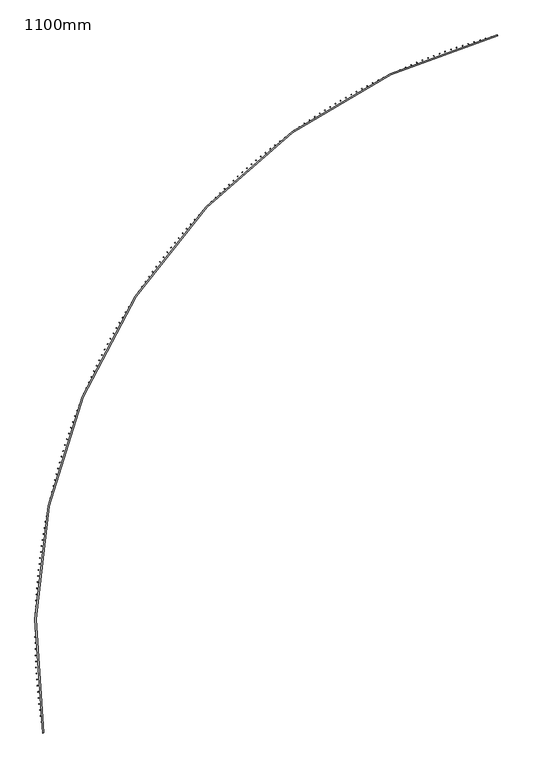
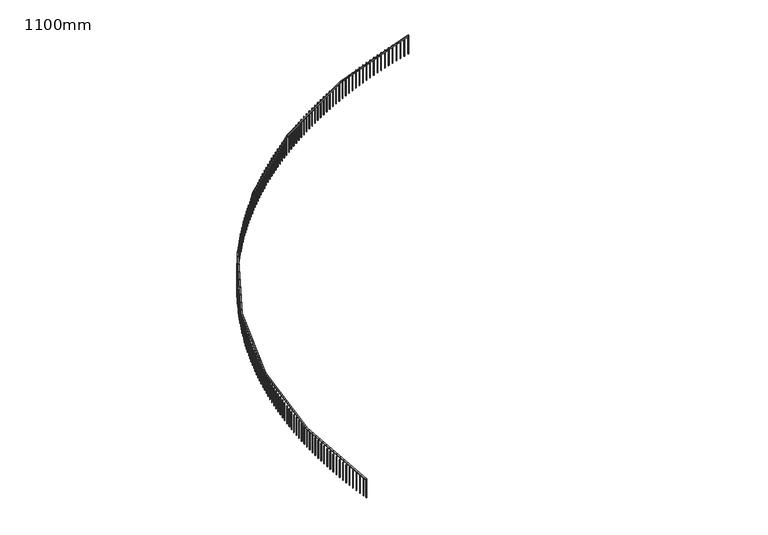
"""IFC4 building model written with IfcOpenShell, lengths in millimetres: railing geometry, 1100mm."""

from ifc_helpers import new_model, si_unit, point, frame, frame_2d, origin, place, context, project, spatial, polyline, circle_curve, trimmed, segment, composite_curve, outline, extrude, source, transform, mapped, element, save


def railing_1100mm_943675f0(model_context):
    return source(origin(), model_context, "Body", "SweptSolid", [
        extrude(outline(composite_curve([segment(trimmed(circle_curve(frame_2d((-8776.2169486, -53857.0322819)), 27971.5412014), [point((-36394.0287338, -58291.3968787))], [point((-15853.428822, -26795.6171438))], False, "CARTESIAN"), True, "CONTINUOUS"), segment(polyline([(-15853.428822, -26795.6171438), (-15840.7780857, -26843.9902651)]), True, "CONTINUOUS"), segment(trimmed(circle_curve(frame_2d((-8776.2169486, -53857.0322819)), 27921.5412014), [point((-15840.7780857, -26843.9902651))], [point((-36344.6610361, -58283.4703141))], True, "CARTESIAN"), True, "CONTINUOUS"), segment(polyline([(-36344.6610361, -58283.4703141), (-36394.0287338, -58291.3968787)]), True, "CONTINUOUS")], self_intersect=False)), frame((0.0, 0.0, 19650.0), z_axis=(0.0, 0.0, 1.0), x_axis=(1.0, 0.0, 0.0)), (0.0, 0.0, 1.0), 50.0),
        extrude(outline(polyline([(-36418.1953524, -58055.742926), (-36393.4805423, -58051.9775357), (-36389.7151521, -58076.6923458), (-36414.4299622, -58080.4577361), (-36418.1953524, -58055.742926)])), frame((0.0, 0.0, 18600.0), z_axis=(0.0, 0.0, 1.0), x_axis=(1.0, 0.0, 0.0)), (0.0, 0.0, 1.0), 1050.0),
        extrude(outline(polyline([(-36458.1726315, -57783.5410007), (-36433.4219663, -57780.0189879), (-36429.8999535, -57804.7696531), (-36454.6506187, -57808.2916659), (-36458.1726315, -57783.5410007)])), frame((0.0, 0.0, 18600.0), z_axis=(0.0, 0.0, 1.0), x_axis=(1.0, 0.0, 0.0)), (0.0, 0.0, 1.0), 1050.0),
        extrude(outline(polyline([(-36495.4694926, -57510.9588753), (-36470.685369, -57507.6805809), (-36467.4070746, -57532.4647046), (-36492.1911983, -57535.7429989), (-36495.4694926, -57510.9588753)])), frame((0.0, 0.0, 18600.0), z_axis=(0.0, 0.0, 1.0), x_axis=(1.0, 0.0, 0.0)), (0.0, 0.0, 1.0), 1050.0),
        extrude(outline(polyline([(-36530.0823244, -57238.0229435), (-36505.267142, -57234.9886851), (-36502.2328836, -57259.8038674), (-36527.0480659, -57262.8381258), (-36530.0823244, -57238.0229435)])), frame((0.0, 0.0, 18600.0), z_axis=(0.0, 0.0, 1.0), x_axis=(1.0, 0.0, 0.0)), (0.0, 0.0, 1.0), 1050.0),
        extrude(outline(polyline([(-36562.0077752, -56964.7596335), (-36537.1639369, -56961.9697048), (-36534.3740082, -56986.8135431), (-36559.2178464, -56989.6034718), (-36562.0077752, -56964.7596335)])), frame((0.0, 0.0, 18600.0), z_axis=(0.0, 0.0, 1.0), x_axis=(1.0, 0.0, 0.0)), (0.0, 0.0, 1.0), 1050.0),
        extrude(outline(polyline([(-36591.2427537, -56691.1954053), (-36566.3726652, -56688.6500764), (-36563.8273364, -56713.5201649), (-36588.6974249, -56716.0654937), (-36591.2427537, -56691.1954053)])), frame((0.0, 0.0, 18600.0), z_axis=(0.0, 0.0, 1.0), x_axis=(1.0, 0.0, 0.0)), (0.0, 0.0, 1.0), 1050.0),
        extrude(outline(polyline([(-36617.7844292, -56417.3567476), (-36592.8904987, -56415.0562651), (-36590.5900161, -56439.9501957), (-36615.4839467, -56442.2506782), (-36617.7844292, -56417.3567476)])), frame((0.0, 0.0, 18600.0), z_axis=(0.0, 0.0, 1.0), x_axis=(1.0, 0.0, 0.0)), (0.0, 0.0, 1.0), 1050.0),
        extrude(outline(polyline([(-36641.6302317, -56143.2701761), (-36616.7148695, -56141.2147626), (-36614.659456, -56166.1301249), (-36639.5748183, -56168.1855383), (-36641.6302317, -56143.2701761)])), frame((0.0, 0.0, 18600.0), z_axis=(0.0, 0.0, 1.0), x_axis=(1.0, 0.0, 0.0)), (0.0, 0.0, 1.0), 1050.0),
        extrude(outline(polyline([(-36662.7778522, -55868.9622303), (-36637.8434709, -55867.152085), (-36636.0333255, -55892.0864663), (-36660.9677069, -55893.8966117), (-36662.7778522, -55868.9622303)])), frame((0.0, 0.0, 18600.0), z_axis=(0.0, 0.0, 1.0), x_axis=(1.0, 0.0, 0.0)), (0.0, 0.0, 1.0), 1050.0),
        extrude(outline(polyline([(-36681.225243, -55594.4594712), (-36656.2742569, -55592.8947693), (-36654.7095549, -55617.8457554), (-36679.660541, -55619.4104573), (-36681.225243, -55594.4594712)])), frame((0.0, 0.0, 18600.0), z_axis=(0.0, 0.0, 1.0), x_axis=(1.0, 0.0, 0.0)), (0.0, 0.0, 1.0), 1050.0),
        extrude(outline(polyline([(-36696.9706178, -55319.7884787), (-36672.005443, -55318.4693716), (-36670.6863359, -55343.4345465), (-36695.6515107, -55344.7536536), (-36696.9706178, -55319.7884787)])), frame((0.0, 0.0, 18600.0), z_axis=(0.0, 0.0, 1.0), x_axis=(1.0, 0.0, 0.0)), (0.0, 0.0, 1.0), 1050.0),
        extrude(outline(polyline([(-36710.0124521, -55044.9758488), (-36685.0355058, -55043.9024644), (-36683.9621213, -55068.8794106), (-36708.9390676, -55069.9527951), (-36710.0124521, -55044.9758488)])), frame((0.0, 0.0, 18600.0), z_axis=(0.0, 0.0, 1.0), x_axis=(1.0, 0.0, 0.0)), (0.0, 0.0, 1.0), 1050.0),
        extrude(outline(polyline([(-36720.349483, -54770.0481915), (-36695.3631838, -54769.2206336), (-36694.5356258, -54794.2069328), (-36719.521925, -54795.0344907), (-36720.349483, -54770.0481915)])), frame((0.0, 0.0, 18600.0), z_axis=(0.0, 0.0, 1.0), x_axis=(1.0, 0.0, 0.0)), (0.0, 0.0, 1.0), 1050.0),
        extrude(outline(polyline([(-36727.9807095, -54495.0321277), (-36702.9874768, -54494.4504765), (-36702.4058255, -54519.4437092), (-36727.3990583, -54520.0253604), (-36727.9807095, -54495.0321277)])), frame((0.0, 0.0, 18600.0), z_axis=(0.0, 0.0, 1.0), x_axis=(1.0, 0.0, 0.0)), (0.0, 0.0, 1.0), 1050.0),
        extrude(outline(polyline([(-36732.9053928, -54219.954287), (-36707.9076467, -54219.6185987), (-36707.5719584, -54244.6163449), (-36732.5697046, -54244.9520331), (-36732.9053928, -54219.954287)])), frame((0.0, 0.0, 18600.0), z_axis=(0.0, 0.0, 1.0), x_axis=(1.0, 0.0, 0.0)), (0.0, 0.0, 1.0), 1050.0),
        extrude(outline(polyline([(-36735.123056, -53944.8413048), (-36710.1232169, -53944.7516121), (-36710.0335242, -53969.7514512), (-36735.0333633, -53969.8411439), (-36735.123056, -53944.8413048)])), frame((0.0, 0.0, 18600.0), z_axis=(0.0, 0.0, 1.0), x_axis=(1.0, 0.0, 0.0)), (0.0, 0.0, 1.0), 1050.0),
        extrude(outline(polyline([(-36734.6334844, -53669.7198202), (-36709.6339731, -53669.8761317), (-36709.7902845, -53694.875643), (-36734.7897959, -53694.7193316), (-36734.6334844, -53669.7198202)])), frame((0.0, 0.0, 18600.0), z_axis=(0.0, 0.0, 1.0), x_axis=(1.0, 0.0, 0.0)), (0.0, 0.0, 1.0), 1050.0),
        extrude(outline(polyline([(-36731.4367254, -53394.6164729), (-36706.4399625, -53395.0187734), (-36706.842263, -53420.0155363), (-36731.8390259, -53419.6132358), (-36731.4367254, -53394.6164729)])), frame((0.0, 0.0, 18600.0), z_axis=(0.0, 0.0, 1.0), x_axis=(1.0, 0.0, 0.0)), (0.0, 0.0, 1.0), 1050.0),
        extrude(outline(polyline([(-36725.5330885, -53119.5579009), (-36700.5414945, -53120.2061515), (-36701.189745, -53145.1977455), (-36726.181339, -53144.5494949), (-36725.5330885, -53119.5579009)])), frame((0.0, 0.0, 18600.0), z_axis=(0.0, 0.0, 1.0), x_axis=(1.0, 0.0, 0.0)), (0.0, 0.0, 1.0), 1050.0),
        extrude(outline(polyline([(-36716.9231453, -52844.5707378), (-36691.9391401, -52845.4648758), (-36692.833278, -52870.448881), (-36717.8172832, -52869.5547431), (-36716.9231453, -52844.5707378)])), frame((0.0, 0.0, 18600.0), z_axis=(0.0, 0.0, 1.0), x_axis=(1.0, 0.0, 0.0)), (0.0, 0.0, 1.0), 1050.0),
        extrude(outline(polyline([(-36705.6077296, -52569.6816105), (-36680.6337323, -52570.8215491), (-36681.773671, -52595.7955464), (-36706.7476683, -52594.6556078), (-36705.6077296, -52569.6816105)])), frame((0.0, 0.0, 18600.0), z_axis=(0.0, 0.0, 1.0), x_axis=(1.0, 0.0, 0.0)), (0.0, 0.0, 1.0), 1050.0),
        extrude(outline(polyline([(-36691.587937, -52294.9171361), (-36666.6263659, -52296.3027651), (-36668.0119949, -52321.2643362), (-36692.973566, -52319.8787072), (-36691.587937, -52294.9171361)])), frame((0.0, 0.0, 18600.0), z_axis=(0.0, 0.0, 1.0), x_axis=(1.0, 0.0, 0.0)), (0.0, 0.0, 1.0), 1050.0),
        extrude(outline(polyline([(-36674.865125, -52020.3039199), (-36649.9183971, -52021.9351051), (-36651.5495823, -52046.881833), (-36676.4963103, -52045.2506478), (-36674.865125, -52020.3039199)])), frame((0.0, 0.0, 18600.0), z_axis=(0.0, 0.0, 1.0), x_axis=(1.0, 0.0, 0.0)), (0.0, 0.0, 1.0), 1050.0),
        extrude(outline(polyline([(-36655.440913, -51745.8685523), (-36630.5114438, -51747.7451358), (-36632.3880273, -51772.674605), (-36657.3174965, -51770.7980215), (-36655.440913, -51745.8685523)])), frame((0.0, 0.0, 18600.0), z_axis=(0.0, 0.0, 1.0), x_axis=(1.0, 0.0, 0.0)), (0.0, 0.0, 1.0), 1050.0),
        extrude(outline(polyline([(-36633.3171816, -51471.6376068), (-36608.4073851, -51473.7594068), (-36610.5291851, -51498.6692034), (-36635.4389817, -51496.5474034), (-36633.3171816, -51471.6376068)])), frame((0.0, 0.0, 18600.0), z_axis=(0.0, 0.0, 1.0), x_axis=(1.0, 0.0, 0.0)), (0.0, 0.0, 1.0), 1050.0),
        extrude(outline(polyline([(-36608.4960732, -51197.6376368), (-36583.6083613, -51200.004448), (-36585.9751724, -51224.8921599), (-36610.8628843, -51222.5253488), (-36608.4960732, -51197.6376368)])), frame((0.0, 0.0, 18600.0), z_axis=(0.0, 0.0, 1.0), x_axis=(1.0, 0.0, 0.0)), (0.0, 0.0, 1.0), 1050.0),
        extrude(outline(polyline([(-36580.9799912, -50923.8951736), (-36556.1167737, -50926.5067666), (-36558.7283668, -50951.3699841), (-36583.5915842, -50948.758391), (-36580.9799912, -50923.8951736)])), frame((0.0, 0.0, 18600.0), z_axis=(0.0, 0.0, 1.0), x_axis=(1.0, 0.0, 0.0)), (0.0, 0.0, 1.0), 1050.0),
        extrude(outline(polyline([(-36550.7715998, -50650.4367232), (-36525.9352843, -50653.2928453), (-36528.7914064, -50678.1291608), (-36553.6277219, -50675.2730387), (-36550.7715998, -50650.4367232)])), frame((0.0, 0.0, 18600.0), z_axis=(0.0, 0.0, 1.0), x_axis=(1.0, 0.0, 0.0)), (0.0, 0.0, 1.0), 1050.0),
        extrude(outline(polyline([(-36517.8738242, -50377.2887645), (-36493.0668155, -50380.3891391), (-36496.1671901, -50405.1961478), (-36520.9741988, -50402.0957732), (-36517.8738242, -50377.2887645)])), frame((0.0, 0.0, 18600.0), z_axis=(0.0, 0.0, 1.0), x_axis=(1.0, 0.0, 0.0)), (0.0, 0.0, 1.0), 1050.0),
        extrude(outline(polyline([(-36482.2898498, -50104.4777462), (-36457.51455, -50107.822073), (-36460.8588769, -50132.5973728), (-36485.6341766, -50129.2530459), (-36482.2898498, -50104.4777462)])), frame((0.0, 0.0, 18600.0), z_axis=(0.0, 0.0, 1.0), x_axis=(1.0, 0.0, 0.0)), (0.0, 0.0, 1.0), 1050.0),
        extrude(outline(polyline([(-36444.0231222, -49832.0300842), (-36419.2819303, -49835.6180395), (-36422.8698856, -49860.3592314), (-36447.6110775, -49856.7712761), (-36444.0231222, -49832.0300842)])), frame((0.0, 0.0, 18600.0), z_axis=(0.0, 0.0, 1.0), x_axis=(1.0, 0.0, 0.0)), (0.0, 0.0, 1.0), 1050.0),
        extrude(outline(polyline([(-36403.0773466, -49559.9721594), (-36378.3726583, -49563.8033957), (-36382.2038946, -49588.5080841), (-36406.908583, -49584.6768478), (-36403.0773466, -49559.9721594)])), frame((0.0, 0.0, 18600.0), z_axis=(0.0, 0.0, 1.0), x_axis=(1.0, 0.0, 0.0)), (0.0, 0.0, 1.0), 1050.0),
        extrude(outline(polyline([(-36359.456488, -49288.330315), (-36334.7906952, -49292.4044614), (-36338.8648416, -49317.0702541), (-36363.5306344, -49312.9961077), (-36359.456488, -49288.330315)])), frame((0.0, 0.0, 18600.0), z_axis=(0.0, 0.0, 1.0), x_axis=(1.0, 0.0, 0.0)), (0.0, 0.0, 1.0), 1050.0),
        extrude(outline(polyline([(-36313.1647699, -49017.1308537), (-36288.5402612, -49021.4475156), (-36292.8569232, -49046.0720243), (-36317.4814319, -49041.7553624), (-36313.1647699, -49017.1308537)])), frame((0.0, 0.0, 18600.0), z_axis=(0.0, 0.0, 1.0), x_axis=(1.0, 0.0, 0.0)), (0.0, 0.0, 1.0), 1050.0),
        extrude(outline(polyline([(-36264.2066749, -48746.4000355), (-36239.6258345, -48750.958795), (-36244.1845941, -48775.5396354), (-36268.7654344, -48770.9808758), (-36264.2066749, -48746.4000355)])), frame((0.0, 0.0, 18600.0), z_axis=(0.0, 0.0, 1.0), x_axis=(1.0, 0.0, 0.0)), (0.0, 0.0, 1.0), 1050.0),
        extrude(outline(polyline([(-36212.5869434, -48476.1640751), (-36188.0521516, -48480.9644908), (-36192.8525673, -48505.4992826), (-36217.3873591, -48500.6988669), (-36212.5869434, -48476.1640751)])), frame((0.0, 0.0, 18600.0), z_axis=(0.0, 0.0, 1.0), x_axis=(1.0, 0.0, 0.0)), (0.0, 0.0, 1.0), 1050.0),
        extrude(outline(polyline([(-36158.3105737, -48206.4491392), (-36133.8242061, -48211.4907462), (-36138.8658132, -48235.9771138), (-36163.3521808, -48230.9355068), (-36158.3105737, -48206.4491392)])), frame((0.0, 0.0, 18600.0), z_axis=(0.0, 0.0, 1.0), x_axis=(1.0, 0.0, 0.0)), (0.0, 0.0, 1.0), 1050.0),
        extrude(outline(polyline([(-36101.3828215, -47937.2813439), (-36076.9472491, -47942.5636541), (-36082.2295593, -47966.9992265), (-36106.6651317, -47961.7169163), (-36101.3828215, -47937.2813439)])), frame((0.0, 0.0, 18600.0), z_axis=(0.0, 0.0, 1.0), x_axis=(1.0, 0.0, 0.0)), (0.0, 0.0, 1.0), 1050.0),
        extrude(outline(polyline([(-36041.8091989, -47668.6867527), (-36017.4267878, -47674.2092546), (-36022.9492897, -47698.5916657), (-36047.3317008, -47693.0691638), (-36041.8091989, -47668.6867527)])), frame((0.0, 0.0, 18600.0), z_axis=(0.0, 0.0, 1.0), x_axis=(1.0, 0.0, 0.0)), (0.0, 0.0, 1.0), 1050.0),
        extrude(outline(polyline([(-35979.5954744, -47400.6913731), (-35955.2685855, -47406.453532), (-35961.0307443, -47430.7804209), (-35985.3576333, -47425.0182621), (-35979.5954744, -47400.6913731)])), frame((0.0, 0.0, 18600.0), z_axis=(0.0, 0.0, 1.0), x_axis=(1.0, 0.0, 0.0)), (0.0, 0.0, 1.0), 1050.0),
        extrude(outline(polyline([(-35914.7476721, -47133.3211551), (-35890.4786609, -47139.3224129), (-35896.4799188, -47163.5914241), (-35920.74893, -47157.5901662), (-35914.7476721, -47133.3211551)])), frame((0.0, 0.0, 18600.0), z_axis=(0.0, 0.0, 1.0), x_axis=(1.0, 0.0, 0.0)), (0.0, 0.0, 1.0), 1050.0),
        extrude(outline(polyline([(-35847.2720712, -46866.6019877), (-35823.0632877, -46872.8417634), (-35829.3030635, -46897.0505469), (-35853.511847, -46890.8107712), (-35847.2720712, -46866.6019877)])), frame((0.0, 0.0, 18600.0), z_axis=(0.0, 0.0, 1.0), x_axis=(1.0, 0.0, 0.0)), (0.0, 0.0, 1.0), 1050.0),
        extrude(outline(polyline([(-35777.1752052, -46600.5596971), (-35753.0289935, -46607.0373866), (-35759.506683, -46631.1835983), (-35783.6528947, -46624.7059088), (-35777.1752052, -46600.5596971)])), frame((0.0, 0.0, 18600.0), z_axis=(0.0, 0.0, 1.0), x_axis=(1.0, 0.0, 0.0)), (0.0, 0.0, 1.0), 1050.0),
        extrude(outline(polyline([(-35704.4638616, -46335.2200441), (-35680.3825598, -46341.9350201), (-35687.0975358, -46366.0163219), (-35711.1788376, -46359.3013459), (-35704.4638616, -46335.2200441)])), frame((0.0, 0.0, 18600.0), z_axis=(0.0, 0.0, 1.0), x_axis=(1.0, 0.0, 0.0)), (0.0, 0.0, 1.0), 1050.0),
        extrude(outline(polyline([(-35629.1450809, -46070.6087211), (-35605.1310208, -46077.5603334), (-35612.082633, -46101.5743936), (-35636.0966932, -46094.6227813), (-35629.1450809, -46070.6087211)])), frame((0.0, 0.0, 18600.0), z_axis=(0.0, 0.0, 1.0), x_axis=(1.0, 0.0, 0.0)), (0.0, 0.0, 1.0), 1050.0),
        extrude(outline(polyline([(-35551.2261563, -45806.7513503), (-35527.281663, -45813.9389257), (-35534.4692384, -45837.883419), (-35558.4137317, -45830.6958436), (-35551.2261563, -45806.7513503)])), frame((0.0, 0.0, 18600.0), z_axis=(0.0, 0.0, 1.0), x_axis=(1.0, 0.0, 0.0)), (0.0, 0.0, 1.0), 1050.0),
        extrude(outline(polyline([(-35470.7146324, -45543.6734806), (-35446.8420245, -45551.0963232), (-35454.2648671, -45574.9689311), (-35478.137475, -45567.5460885), (-35470.7146324, -45543.6734806)])), frame((0.0, 0.0, 18600.0), z_axis=(0.0, 0.0, 1.0), x_axis=(1.0, 0.0, 0.0)), (0.0, 0.0, 1.0), 1050.0),
        extrude(outline(polyline([(-35387.6183052, -45281.4005858), (-35363.8198943, -45289.0579768), (-35371.4772853, -45312.8563878), (-35395.2756963, -45305.1989967), (-35387.6183052, -45281.4005858)])), frame((0.0, 0.0, 18600.0), z_axis=(0.0, 0.0, 1.0), x_axis=(1.0, 0.0, 0.0)), (0.0, 0.0, 1.0), 1050.0),
        extrude(outline(polyline([(-35301.9452208, -45019.9580614), (-35278.2233112, -45027.8492594), (-35286.1145093, -45051.571169), (-35309.8364188, -45043.6799709), (-35301.9452208, -45019.9580614)])), frame((0.0, 0.0, 18600.0), z_axis=(0.0, 0.0, 1.0), x_axis=(1.0, 0.0, 0.0)), (0.0, 0.0, 1.0), 1050.0),
        extrude(outline(polyline([(-35213.7036748, -44759.3712226), (-35190.0605636, -44767.4954635), (-35198.1848045, -44791.1385748), (-35221.8279158, -44783.0143338), (-35213.7036748, -44759.3712226)])), frame((0.0, 0.0, 18600.0), z_axis=(0.0, 0.0, 1.0), x_axis=(1.0, 0.0, 0.0)), (0.0, 0.0, 1.0), 1050.0),
        extrude(outline(polyline([(-35122.9022117, -44499.6653019), (-35099.3401881, -44508.0217991), (-35107.6966853, -44531.5838226), (-35131.2587088, -44523.2273254), (-35122.9022117, -44499.6653019)])), frame((0.0, 0.0, 18600.0), z_axis=(0.0, 0.0, 1.0), x_axis=(1.0, 0.0, 0.0)), (0.0, 0.0, 1.0), 1050.0),
        extrude(outline(polyline([(-35029.5496235, -44240.8654463), (-35006.0709691, -44249.4533906), (-35014.6589133, -44272.932045), (-35038.1375678, -44264.3441007), (-35029.5496235, -44240.8654463)])), frame((0.0, 0.0, 18600.0), z_axis=(0.0, 0.0, 1.0), x_axis=(1.0, 0.0, 0.0)), (0.0, 0.0, 1.0), 1050.0),
        extrude(outline(polyline([(-34933.6549496, -43982.9967152), (-34910.2619378, -43991.815275), (-34919.0804975, -44015.2082868), (-34942.4735094, -44006.389727), (-34933.6549496, -43982.9967152)])), frame((0.0, 0.0, 18600.0), z_axis=(0.0, 0.0, 1.0), x_axis=(1.0, 0.0, 0.0)), (0.0, 0.0, 1.0), 1050.0),
        extrude(outline(polyline([(-34835.2274753, -43726.0840777), (-34811.9223712, -43735.1323991), (-34820.9706926, -43758.4375033), (-34844.2757968, -43749.3891819), (-34835.2274753, -43726.0840777)])), frame((0.0, 0.0, 18600.0), z_axis=(0.0, 0.0, 1.0), x_axis=(1.0, 0.0, 0.0)), (0.0, 0.0, 1.0), 1050.0),
        extrude(outline(polyline([(-34734.2767314, -43470.1524105), (-34711.0617915, -43479.4296174), (-34720.3389984, -43502.6445573), (-34743.5539383, -43493.3673504), (-34734.2767314, -43470.1524105)])), frame((0.0, 0.0, 18600.0), z_axis=(0.0, 0.0, 1.0), x_axis=(1.0, 0.0, 0.0)), (0.0, 0.0, 1.0), 1050.0),
        extrude(outline(polyline([(-34630.8124927, -43215.2264953), (-34607.689965, -43224.7316893), (-34617.1951591, -43247.854217), (-34640.3176868, -43238.3490229), (-34630.8124927, -43215.2264953)])), frame((0.0, 0.0, 18600.0), z_axis=(0.0, 0.0, 1.0), x_axis=(1.0, 0.0, 0.0)), (0.0, 0.0, 1.0), 1050.0),
        extrude(outline(polyline([(-34524.8447776, -42961.3310161), (-34501.8169011, -42971.063277), (-34511.5491619, -42994.0911535), (-34534.5770385, -42984.3588927), (-34524.8447776, -42961.3310161)])), frame((0.0, 0.0, 18600.0), z_axis=(0.0, 0.0, 1.0), x_axis=(1.0, 0.0, 0.0)), (0.0, 0.0, 1.0), 1050.0),
        extrude(outline(polyline([(-34416.3838469, -42708.4905576), (-34393.4528512, -42718.4489429), (-34403.4112365, -42741.3799386), (-34426.3422322, -42731.4215532), (-34416.3838469, -42708.4905576)])), frame((0.0, 0.0, 18600.0), z_axis=(0.0, 0.0, 1.0), x_axis=(1.0, 0.0, 0.0)), (0.0, 0.0, 1.0), 1050.0),
        extrude(outline(polyline([(-34305.4402026, -42456.729602), (-34282.6083083, -42466.9131475), (-34292.7918538, -42489.7450418), (-34315.6237481, -42479.5614963), (-34305.4402026, -42456.729602)])), frame((0.0, 0.0, 18600.0), z_axis=(0.0, 0.0, 1.0), x_axis=(1.0, 0.0, 0.0)), (0.0, 0.0, 1.0), 1050.0),
        extrude(outline(polyline([(-34192.0245875, -42206.072527), (-34169.2940052, -42216.4802466), (-34179.7017248, -42239.2108289), (-34202.4323071, -42228.8031093), (-34192.0245875, -42206.072527)])), frame((0.0, 0.0, 18600.0), z_axis=(0.0, 0.0, 1.0), x_axis=(1.0, 0.0, 0.0)), (0.0, 0.0, 1.0), 1050.0),
        extrude(outline(polyline([(-34076.1479834, -41956.5436036), (-34053.5209142, -41967.1744896), (-34064.1518001, -41989.8015589), (-34086.7788694, -41979.1706729), (-34076.1479834, -41956.5436036)])), frame((0.0, 0.0, 18600.0), z_axis=(0.0, 0.0, 1.0), x_axis=(1.0, 0.0, 0.0)), (0.0, 0.0, 1.0), 1050.0),
        extrude(outline(polyline([(-33957.8216106, -41708.1669935), (-33935.3002453, -41719.0200164), (-33946.1532683, -41741.5413817), (-33968.6746335, -41730.6883588), (-33957.8216106, -41708.1669935)])), frame((0.0, 0.0, 18600.0), z_axis=(0.0, 0.0, 1.0), x_axis=(1.0, 0.0, 0.0)), (0.0, 0.0, 1.0), 1050.0),
        extrude(outline(polyline([(-33837.0569265, -41460.9667467), (-33814.6434459, -41472.0408557), (-33825.7175549, -41494.4543362), (-33848.1310355, -41483.3802272), (-33837.0569265, -41460.9667467)])), frame((0.0, 0.0, 18600.0), z_axis=(0.0, 0.0, 1.0), x_axis=(1.0, 0.0, 0.0)), (0.0, 0.0, 1.0), 1050.0),
        extrude(outline(polyline([(-33713.8656245, -41214.9667993), (-33691.562199, -41226.2609221), (-33702.8563218, -41248.5643476), (-33725.1597473, -41237.2702249), (-33713.8656245, -41214.9667993)])), frame((0.0, 0.0, 18600.0), z_axis=(0.0, 0.0, 1.0), x_axis=(1.0, 0.0, 0.0)), (0.0, 0.0, 1.0), 1050.0),
        extrude(outline(polyline([(-33588.2596333, -40970.1909714), (-33566.0684224, -40981.7040144), (-33577.5814654, -41003.8952253), (-33599.7726763, -40992.3821823), (-33588.2596333, -40970.1909714)])), frame((0.0, 0.0, 18600.0), z_axis=(0.0, 0.0, 1.0), x_axis=(1.0, 0.0, 0.0)), (0.0, 0.0, 1.0), 1050.0),
        extrude(outline(polyline([(-33460.2511151, -40726.6629643), (-33438.1742676, -40738.3938127), (-33449.9051159, -40760.4706602), (-33471.9819634, -40748.7398118), (-33460.2511151, -40726.6629643)])), frame((0.0, 0.0, 18600.0), z_axis=(0.0, 0.0, 1.0), x_axis=(1.0, 0.0, 0.0)), (0.0, 0.0, 1.0), 1050.0),
        extrude(outline(polyline([(-33329.8524649, -40484.4063586), (-33307.8921184, -40496.3538765), (-33319.8396362, -40518.314223), (-33341.7999827, -40506.3667051), (-33329.8524649, -40484.4063586)])), frame((0.0, 0.0, 18600.0), z_axis=(0.0, 0.0, 1.0), x_axis=(1.0, 0.0, 0.0)), (0.0, 0.0, 1.0), 1050.0),
        extrude(outline(polyline([(-33197.076309, -40243.4446119), (-33175.23459, -40255.6076424), (-33187.3976205, -40277.4493614), (-33209.2393395, -40265.2863309), (-33197.076309, -40243.4446119)])), frame((0.0, 0.0, 18600.0), z_axis=(0.0, 0.0, 1.0), x_axis=(1.0, 0.0, 0.0)), (0.0, 0.0, 1.0), 1050.0),
        extrude(outline(polyline([(-33061.9355041, -40003.8010561), (-33040.2145274, -40016.1784215), (-33052.5918928, -40037.8993982), (-33074.3128694, -40025.5220328), (-33061.9355041, -40003.8010561)])), frame((0.0, 0.0, 18600.0), z_axis=(0.0, 0.0, 1.0), x_axis=(1.0, 0.0, 0.0)), (0.0, 0.0, 1.0), 1050.0),
        extrude(outline(polyline([(-32924.4431356, -39765.4988959), (-32902.8450046, -39778.0893976), (-32915.4355063, -39799.6875287), (-32937.0336374, -39787.0970269), (-32924.4431356, -39765.4988959)])), frame((0.0, 0.0, 18600.0), z_axis=(0.0, 0.0, 1.0), x_axis=(1.0, 0.0, 0.0)), (0.0, 0.0, 1.0), 1050.0),
        extrude(outline(polyline([(-32784.6125169, -39528.5612056), (-32763.1393228, -39541.3636247), (-32775.9417419, -39562.8368188), (-32797.414936, -39550.0343998), (-32784.6125169, -39528.5612056)])), frame((0.0, 0.0, 18600.0), z_axis=(0.0, 0.0, 1.0), x_axis=(1.0, 0.0, 0.0)), (0.0, 0.0, 1.0), 1050.0),
        extrude(outline(polyline([(-32642.4571877, -39293.0109279), (-32621.1110097, -39306.0240246), (-32634.1241064, -39327.3702026), (-32655.4702844, -39314.3571059), (-32642.4571877, -39293.0109279)])), frame((0.0, 0.0, 18600.0), z_axis=(0.0, 0.0, 1.0), x_axis=(1.0, 0.0, 0.0)), (0.0, 0.0, 1.0), 1050.0),
        extrude(outline(polyline([(-32497.9909126, -39058.8708708), (-32476.7738177, -39072.0933851), (-32489.996332, -39093.31048), (-32511.2134269, -39080.0879657), (-32497.9909126, -39058.8708708)])), frame((0.0, 0.0, 18600.0), z_axis=(0.0, 0.0, 1.0), x_axis=(1.0, 0.0, 0.0)), (0.0, 0.0, 1.0), 1050.0),
        extrude(outline(polyline([(-32351.2276803, -38826.1637059), (-32330.1417229, -38839.5943574), (-32343.5723745, -38860.6803148), (-32364.6583318, -38847.2496633), (-32351.2276803, -38826.1637059)])), frame((0.0, 0.0, 18600.0), z_axis=(0.0, 0.0, 1.0), x_axis=(1.0, 0.0, 0.0)), (0.0, 0.0, 1.0), 1050.0),
        extrude(outline(polyline([(-32202.1817017, -38594.911966), (-32181.2289235, -38608.5494543), (-32194.8664118, -38629.5022324), (-32215.81919, -38615.8647441), (-32202.1817017, -38594.911966)])), frame((0.0, 0.0, 18600.0), z_axis=(0.0, 0.0, 1.0), x_axis=(1.0, 0.0, 0.0)), (0.0, 0.0, 1.0), 1050.0),
        extrude(outline(polyline([(-32050.8674087, -38365.1380429), (-32030.0498386, -38378.9810475), (-32043.8928432, -38399.7986176), (-32064.7104133, -38385.955613), (-32050.8674087, -38365.1380429)])), frame((0.0, 0.0, 18600.0), z_axis=(0.0, 0.0, 1.0), x_axis=(1.0, 0.0, 0.0)), (0.0, 0.0, 1.0), 1050.0),
        extrude(outline(polyline([(-31897.2994529, -38136.8641856), (-31876.6191067, -38150.9113661), (-31890.6662872, -38171.5917123), (-31911.3466334, -38157.5445318), (-31897.2994529, -38136.8641856)])), frame((0.0, 0.0, 18600.0), z_axis=(0.0, 0.0, 1.0), x_axis=(1.0, 0.0, 0.0)), (0.0, 0.0, 1.0), 1050.0),
        extrude(outline(polyline([(-31741.4927044, -37910.1124975), (-31720.9515844, -37924.3624937), (-31735.2015806, -37944.9036136), (-31755.7427005, -37930.6536174), (-31741.4927044, -37910.1124975)])), frame((0.0, 0.0, 18600.0), z_axis=(0.0, 0.0, 1.0), x_axis=(1.0, 0.0, 0.0)), (0.0, 0.0, 1.0), 1050.0),
        extrude(outline(polyline([(-31583.4622495, -37684.9049347), (-31563.0623448, -37699.3563668), (-31577.5137769, -37719.7562715), (-31597.9136816, -37705.3048394), (-31583.4622495, -37684.9049347)])), frame((0.0, 0.0, 18600.0), z_axis=(0.0, 0.0, 1.0), x_axis=(1.0, 0.0, 0.0)), (0.0, 0.0, 1.0), 1050.0),
        extrude(outline(polyline([(-31423.2233904, -37461.263304), (-31402.9666763, -37475.9147727), (-31417.6181449, -37496.1714868), (-31437.874859, -37481.5200181), (-31423.2233904, -37461.263304)])), frame((0.0, 0.0, 18600.0), z_axis=(0.0, 0.0, 1.0), x_axis=(1.0, 0.0, 0.0)), (0.0, 0.0, 1.0), 1050.0),
        extrude(outline(polyline([(-31260.7916427, -37239.2092603), (-31240.6800806, -37254.0593469), (-31255.5301671, -37274.170909), (-31275.6417292, -37259.3208224), (-31260.7916427, -37239.2092603)])), frame((0.0, 0.0, 18600.0), z_axis=(0.0, 0.0, 1.0), x_axis=(1.0, 0.0, 0.0)), (0.0, 0.0, 1.0), 1050.0),
        extrude(outline(polyline([(-31096.1827346, -37018.764305), (-31076.2182719, -37033.8115715), (-31091.2655383, -37053.7760342), (-31111.2300011, -37038.7287677), (-31096.1827346, -37018.764305)])), frame((0.0, 0.0, 18600.0), z_axis=(0.0, 0.0, 1.0), x_axis=(1.0, 0.0, 0.0)), (0.0, 0.0, 1.0), 1050.0),
        extrude(outline(polyline([(-30929.412605, -36799.9497834), (-30909.5971748, -36815.1927729), (-30924.8401642, -36835.008203), (-30944.6555944, -36819.7652136), (-30929.412605, -36799.9497834)])), frame((0.0, 0.0, 18600.0), z_axis=(0.0, 0.0, 1.0), x_axis=(1.0, 0.0, 0.0)), (0.0, 0.0, 1.0), 1050.0),
        extrude(outline(polyline([(-30760.4974021, -36582.7868833), (-30740.8329231, -36598.2241197), (-30756.2701596, -36617.8885986), (-30775.9346385, -36602.4513622), (-30760.4974021, -36582.7868833)])), frame((0.0, 0.0, 18600.0), z_axis=(0.0, 0.0, 1.0), x_axis=(1.0, 0.0, 0.0)), (0.0, 0.0, 1.0), 1050.0),
        extrude(outline(polyline([(-30589.4534818, -36367.2966322), (-30569.9418582, -36382.9266208), (-30585.5718468, -36402.4382444), (-30605.0834704, -36386.8082558), (-30589.4534818, -36367.2966322)])), frame((0.0, 0.0, 18600.0), z_axis=(0.0, 0.0, 1.0), x_axis=(1.0, 0.0, 0.0)), (0.0, 0.0, 1.0), 1050.0),
        extrude(outline(polyline([(-30416.2974061, -36153.499896), (-30396.9405272, -36169.3211234), (-30412.7617546, -36188.6780023), (-30432.1186335, -36172.8567749), (-30416.2974061, -36153.499896)])), frame((0.0, 0.0, 18600.0), z_axis=(0.0, 0.0, 1.0), x_axis=(1.0, 0.0, 0.0)), (0.0, 0.0, 1.0), 1050.0),
        extrude(outline(polyline([(-30241.0459417, -35941.4173762), (-30221.8456816, -35957.4283105), (-30237.8566158, -35976.6285705), (-30257.0568759, -35960.6176363), (-30241.0459417, -35941.4173762)])), frame((0.0, 0.0, 18600.0), z_axis=(0.0, 0.0, 1.0), x_axis=(1.0, 0.0, 0.0)), (0.0, 0.0, 1.0), 1050.0),
        extrude(outline(polyline([(-30063.7160578, -35731.0696088), (-30044.6742758, -35747.2686995), (-30060.8733665, -35766.3104815), (-30079.9151485, -35750.1113908), (-30063.7160578, -35731.0696088)])), frame((0.0, 0.0, 18600.0), z_axis=(0.0, 0.0, 1.0), x_axis=(1.0, 0.0, 0.0)), (0.0, 0.0, 1.0), 1050.0),
        extrude(outline(polyline([(-29884.3249252, -35522.4769615), (-29865.4434651, -35538.8626402), (-29881.8291438, -35557.7441002), (-29900.7106039, -35541.3584216), (-29884.3249252, -35522.4769615)])), frame((0.0, 0.0, 18600.0), z_axis=(0.0, 0.0, 1.0), x_axis=(1.0, 0.0, 0.0)), (0.0, 0.0, 1.0), 1050.0),
        extrude(outline(polyline([(-29702.8899142, -35315.6596321), (-29684.1706043, -35332.2303121), (-29700.7412843, -35350.949622), (-29719.4605942, -35334.378942), (-29702.8899142, -35315.6596321)])), frame((0.0, 0.0, 18600.0), z_axis=(0.0, 0.0, 1.0), x_axis=(1.0, 0.0, 0.0)), (0.0, 0.0, 1.0), 1050.0),
        extrude(outline(polyline([(-29519.428593, -35110.6376465), (-29500.8732457, -35127.3917233), (-29517.6273226, -35145.9470705), (-29536.1826698, -35129.1929937), (-29519.428593, -35110.6376465)])), frame((0.0, 0.0, 18600.0), z_axis=(0.0, 0.0, 1.0), x_axis=(1.0, 0.0, 0.0)), (0.0, 0.0, 1.0), 1050.0),
        extrude(outline(polyline([(-29333.9587258, -34907.4308568), (-29315.5691381, -34924.3667082), (-29332.5049894, -34942.756296), (-29350.8945772, -34925.8204446), (-29333.9587258, -34907.4308568)])), frame((0.0, 0.0, 18600.0), z_axis=(0.0, 0.0, 1.0), x_axis=(1.0, 0.0, 0.0)), (0.0, 0.0, 1.0), 1050.0),
        extrude(outline(polyline([(-29146.4982718, -34706.0589394), (-29128.276224, -34723.1749254), (-29145.39221, -34741.3969731), (-29163.6142578, -34724.2809871), (-29146.4982718, -34706.0589394)])), frame((0.0, 0.0, 18600.0), z_axis=(0.0, 0.0, 1.0), x_axis=(1.0, 0.0, 0.0)), (0.0, 0.0, 1.0), 1050.0),
        extrude(outline(polyline([(-28957.0653823, -34506.5413929), (-28939.0126391, -34523.8358562), (-28956.3071024, -34541.8885995), (-28974.3598456, -34524.5941361), (-28957.0653823, -34506.5413929)])), frame((0.0, 0.0, 18600.0), z_axis=(0.0, 0.0, 1.0), x_axis=(1.0, 0.0, 0.0)), (0.0, 0.0, 1.0), 1050.0),
        extrude(outline(polyline([(-28765.6784001, -34308.8975364), (-28747.7967094, -34326.3688025), (-28765.2679755, -34344.2504932), (-28783.1496662, -34326.7792271), (-28765.6784001, -34308.8975364)])), frame((0.0, 0.0, 18600.0), z_axis=(0.0, 0.0, 1.0), x_axis=(1.0, 0.0, 0.0)), (0.0, 0.0, 1.0), 1050.0),
        extrude(outline(polyline([(-28572.355857, -34113.1465076), (-28554.6469503, -34130.7928846), (-28572.2933273, -34148.5017913), (-28590.002234, -34130.8554143), (-28572.355857, -34113.1465076)])), frame((0.0, 0.0, 18600.0), z_axis=(0.0, 0.0, 1.0), x_axis=(1.0, 0.0, 0.0)), (0.0, 0.0, 1.0), 1050.0),
        extrude(outline(polyline([(-28377.1164722, -33919.3072608), (-28359.5820642, -33937.1270402), (-28377.4018435, -33954.6614482), (-28394.9362515, -33936.8416688), (-28377.1164722, -33919.3072608)])), frame((0.0, 0.0, 18600.0), z_axis=(0.0, 0.0, 1.0), x_axis=(1.0, 0.0, 0.0)), (0.0, 0.0, 1.0), 1050.0),
        extrude(outline(polyline([(-28179.9791505, -33727.3985654), (-28162.6209391, -33745.3900216), (-28180.6123953, -33762.748233), (-28197.9706067, -33744.7567768), (-28179.9791505, -33727.3985654)])), frame((0.0, 0.0, 18600.0), z_axis=(0.0, 0.0, 1.0), x_axis=(1.0, 0.0, 0.0)), (0.0, 0.0, 1.0), 1050.0),
        extrude(outline(polyline([(-27980.9629806, -33537.4390036), (-27963.7826466, -33555.6003946), (-27981.9440375, -33572.7807286), (-27999.1243716, -33554.6193377), (-27980.9629806, -33537.4390036)])), frame((0.0, 0.0, 18600.0), z_axis=(0.0, 0.0, 1.0), x_axis=(1.0, 0.0, 0.0)), (0.0, 0.0, 1.0), 1050.0),
        extrude(outline(polyline([(-27780.0872331, -33349.4469692), (-27763.0864399, -33367.7765363), (-27781.4160071, -33384.7773295), (-27798.4168002, -33366.4477623), (-27780.0872331, -33349.4469692)])), frame((0.0, 0.0, 18600.0), z_axis=(0.0, 0.0, 1.0), x_axis=(1.0, 0.0, 0.0)), (0.0, 0.0, 1.0), 1050.0),
        extrude(outline(polyline([(-27577.3713585, -33163.4406651), (-27560.5517524, -33181.9366336), (-27579.0477209, -33198.7562397), (-27595.867327, -33180.2602712), (-27577.3713585, -33163.4406651)])), frame((0.0, 0.0, 18600.0), z_axis=(0.0, 0.0, 1.0), x_axis=(1.0, 0.0, 0.0)), (0.0, 0.0, 1.0), 1050.0),
        extrude(outline(polyline([(-27372.8349857, -32979.4381022), (-27356.1981953, -32998.0986811), (-27374.8587742, -33014.7354715), (-27391.4955646, -32996.0748926), (-27372.8349857, -32979.4381022)])), frame((0.0, 0.0, 18600.0), z_axis=(0.0, 0.0, 1.0), x_axis=(1.0, 0.0, 0.0)), (0.0, 0.0, 1.0), 1050.0),
        extrude(outline(polyline([(-27166.4979196, -32797.4570973), (-27150.0455558, -32816.2804797), (-27168.8689383, -32832.7328435), (-27185.321302, -32813.9094611), (-27166.4979196, -32797.4570973)])), frame((0.0, 0.0, 18600.0), z_axis=(0.0, 0.0, 1.0), x_axis=(1.0, 0.0, 0.0)), (0.0, 0.0, 1.0), 1050.0),
        extrude(outline(polyline([(-26958.3801398, -32617.5152714), (-26942.1137957, -32636.4996347), (-26961.098159, -32652.7659788), (-26977.3645031, -32633.7816155), (-26958.3801398, -32617.5152714)])), frame((0.0, 0.0, 18600.0), z_axis=(0.0, 0.0, 1.0), x_axis=(1.0, 0.0, 0.0)), (0.0, 0.0, 1.0), 1050.0),
        extrude(outline(polyline([(-26748.5017981, -32439.6300482), (-26732.4230487, -32458.7735542), (-26751.5665547, -32474.8523035), (-26767.645304, -32455.7087975), (-26748.5017981, -32439.6300482)])), frame((0.0, 0.0, 18600.0), z_axis=(0.0, 0.0, 1.0), x_axis=(1.0, 0.0, 0.0)), (0.0, 0.0, 1.0), 1050.0),
        extrude(outline(polyline([(-26536.8832167, -32263.8186521), (-26520.993619, -32283.119447), (-26540.294414, -32299.0090447), (-26556.1840116, -32279.7082498), (-26536.8832167, -32263.8186521)])), frame((0.0, 0.0, 18600.0), z_axis=(0.0, 0.0, 1.0), x_axis=(1.0, 0.0, 0.0)), (0.0, 0.0, 1.0), 1050.0),
        extrude(outline(polyline([(-26323.5448866, -32090.0981067), (-26307.8459791, -32109.5543218), (-26327.3021942, -32125.2532293), (-26343.0011017, -32105.7970142), (-26323.5448866, -32090.0981067)])), frame((0.0, 0.0, 18600.0), z_axis=(0.0, 0.0, 1.0), x_axis=(1.0, 0.0, 0.0)), (0.0, 0.0, 1.0), 1050.0),
        extrude(outline(polyline([(-26108.5074651, -31918.4852333), (-26093.0007679, -31938.0949846), (-26112.6105192, -31953.6016817), (-26128.1172163, -31933.9919305), (-26108.5074651, -31918.4852333)])), frame((0.0, 0.0, 18600.0), z_axis=(0.0, 0.0, 1.0), x_axis=(1.0, 0.0, 0.0)), (0.0, 0.0, 1.0), 1050.0),
        extrude(outline(polyline([(-25891.791774, -31748.996649), (-25876.4787887, -31768.7580376), (-25896.2401773, -31784.071023), (-25911.5531626, -31764.3096344), (-25891.791774, -31748.996649)])), frame((0.0, 0.0, 18600.0), z_axis=(0.0, 0.0, 1.0), x_axis=(1.0, 0.0, 0.0)), (0.0, 0.0, 1.0), 1050.0),
        extrude(outline(polyline([(-25673.4187978, -31581.6487652), (-25658.301007, -31601.5598777), (-25678.2121196, -31616.6776685), (-25693.3299103, -31596.766556), (-25673.4187978, -31581.6487652)])), frame((0.0, 0.0, 18600.0), z_axis=(0.0, 0.0, 1.0), x_axis=(1.0, 0.0, 0.0)), (0.0, 0.0, 1.0), 1050.0),
        extrude(outline(polyline([(-25453.4096813, -31416.457786), (-25438.4885489, -31436.5166944), (-25458.5474574, -31451.4378268), (-25473.4685897, -31431.3789183), (-25453.4096813, -31416.457786)])), frame((0.0, 0.0, 18600.0), z_axis=(0.0, 0.0, 1.0), x_axis=(1.0, 0.0, 0.0)), (0.0, 0.0, 1.0), 1050.0),
        extrude(outline(polyline([(-25231.7857277, -31253.4397067), (-25217.0626985, -31273.6444688), (-25237.2674606, -31288.367498), (-25251.9904898, -31268.1627359), (-25231.7857277, -31253.4397067)])), frame((0.0, 0.0, 18600.0), z_axis=(0.0, 0.0, 1.0), x_axis=(1.0, 0.0, 0.0)), (0.0, 0.0, 1.0), 1050.0),
        extrude(outline(polyline([(-25008.5683967, -31092.6103122), (-24994.0448964, -31112.9589716), (-25014.3935558, -31127.4824719), (-25028.9170561, -31107.1338126), (-25008.5683967, -31092.6103122)])), frame((0.0, 0.0, 18600.0), z_axis=(0.0, 0.0, 1.0), x_axis=(1.0, 0.0, 0.0)), (0.0, 0.0, 1.0), 1050.0),
        extrude(outline(polyline([(-24783.7793023, -30933.9851755), (-24769.4567371, -30954.4757618), (-24789.9473233, -30968.798327), (-24804.2698886, -30948.3077407), (-24783.7793023, -30933.9851755)])), frame((0.0, 0.0, 18600.0), z_axis=(0.0, 0.0, 1.0), x_axis=(1.0, 0.0, 0.0)), (0.0, 0.0, 1.0), 1050.0),
        extrude(outline(polyline([(-24557.4402105, -30777.5796561), (-24543.3199673, -30798.2101852), (-24563.9504963, -30812.3304284), (-24578.0707396, -30791.6998994), (-24557.4402105, -30777.5796561)])), frame((0.0, 0.0, 18600.0), z_axis=(0.0, 0.0, 1.0), x_axis=(1.0, 0.0, 0.0)), (0.0, 0.0, 1.0), 1050.0),
        extrude(outline(polyline([(-24329.5730376, -30623.4088986), (-24315.6564835, -30644.1773728), (-24336.4249578, -30658.0939269), (-24350.3415119, -30637.3254526), (-24329.5730376, -30623.4088986)])), frame((0.0, 0.0, 18600.0), z_axis=(0.0, 0.0, 1.0), x_axis=(1.0, 0.0, 0.0)), (0.0, 0.0, 1.0), 1050.0),
        extrude(outline(polyline([(-24100.1998477, -30471.4878312), (-24086.4883304, -30492.3922396), (-24107.3927388, -30506.1037569), (-24121.1042562, -30485.1993485), (-24100.1998477, -30471.4878312)])), frame((0.0, 0.0, 18600.0), z_axis=(0.0, 0.0, 1.0), x_axis=(1.0, 0.0, 0.0)), (0.0, 0.0, 1.0), 1050.0),
        extrude(outline(polyline([(-23869.3428508, -30321.8311642), (-23855.8376979, -30342.8694827), (-23876.8760164, -30356.3746356), (-23890.3811693, -30335.3363171), (-23869.3428508, -30321.8311642)])), frame((0.0, 0.0, 18600.0), z_axis=(0.0, 0.0, 1.0), x_axis=(1.0, 0.0, 0.0)), (0.0, 0.0, 1.0), 1050.0),
        extrude(outline(polyline([(-23637.0244006, -30174.4533889), (-23623.7269198, -30195.6235803), (-23644.8971112, -30208.9210611), (-23658.194592, -30187.7508697), (-23637.0244006, -30174.4533889)])), frame((0.0, 0.0, 18600.0), z_axis=(0.0, 0.0, 1.0), x_axis=(1.0, 0.0, 0.0)), (0.0, 0.0, 1.0), 1050.0),
        extrude(outline(polyline([(-23403.2669923, -30029.3687756), (-23390.1784711, -30050.66879), (-23411.4784856, -30063.7573111), (-23424.5670067, -30042.4572967), (-23403.2669923, -30029.3687756)])), frame((0.0, 0.0, 18600.0), z_axis=(0.0, 0.0, 1.0), x_axis=(1.0, 0.0, 0.0)), (0.0, 0.0, 1.0), 1050.0),
        extrude(outline(polyline([(-23168.0932603, -29886.5913728), (-23155.2149662, -29908.0191478), (-23176.6427412, -29920.8974418), (-23189.5210353, -29899.4696668), (-23168.0932603, -29886.5913728)])), frame((0.0, 0.0, 18600.0), z_axis=(0.0, 0.0, 1.0), x_axis=(1.0, 0.0, 0.0)), (0.0, 0.0, 1.0), 1050.0),
        extrude(outline(polyline([(-22931.5259763, -29746.1350054), (-22918.8591563, -29767.6884661), (-22940.412617, -29780.3552862), (-22953.0794371, -29758.8018254), (-22931.5259763, -29746.1350054)])), frame((0.0, 0.0, 18600.0), z_axis=(0.0, 0.0, 1.0), x_axis=(1.0, 0.0, 0.0)), (0.0, 0.0, 1.0), 1050.0),
        extrude(outline(polyline([(-22693.588047, -29608.0132737), (-22681.1339275, -29629.6903332), (-22702.810987, -29642.1444527), (-22715.2651065, -29620.4673932), (-22693.588047, -29608.0132737)])), frame((0.0, 0.0, 18600.0), z_axis=(0.0, 0.0, 1.0), x_axis=(1.0, 0.0, 0.0)), (0.0, 0.0, 1.0), 1050.0),
        extrude(outline(polyline([(-22454.3025116, -29472.239552), (-22442.0622986, -29494.0381112), (-22463.8608578, -29506.2783243), (-22476.1010708, -29484.479765), (-22454.3025116, -29472.239552)])), frame((0.0, 0.0, 18600.0), z_axis=(0.0, 0.0, 1.0), x_axis=(1.0, 0.0, 0.0)), (0.0, 0.0, 1.0), 1050.0),
        extrude(outline(polyline([(-22213.6925399, -29338.826987), (-22201.6674185, -29360.7449353), (-22223.5853668, -29372.7700566), (-22235.6104882, -29350.8521084), (-22213.6925399, -29338.826987)])), frame((0.0, 0.0, 18600.0), z_axis=(0.0, 0.0, 1.0), x_axis=(1.0, 0.0, 0.0)), (0.0, 0.0, 1.0), 1050.0),
        extrude(outline(polyline([(-21971.78143, -29207.788497), (-21959.9725647, -29229.823712), (-21982.0077797, -29241.6325773), (-21993.816645, -29219.5973623), (-21971.78143, -29207.788497)])), frame((0.0, 0.0, 18600.0), z_axis=(0.0, 0.0, 1.0), x_axis=(1.0, 0.0, 0.0)), (0.0, 0.0, 1.0), 1050.0),
        extrude(outline(polyline([(-21728.5926058, -29079.1367703), (-21717.00114, -29101.2871184), (-21739.1514881, -29112.8785842), (-21750.7429539, -29090.7282361), (-21728.5926058, -29079.1367703)])), frame((0.0, 0.0, 18600.0), z_axis=(0.0, 0.0, 1.0), x_axis=(1.0, 0.0, 0.0)), (0.0, 0.0, 1.0), 1050.0),
        extrude(outline(polyline([(-21484.1496152, -28952.8842642), (-21472.7766713, -28975.1476005), (-21495.0400077, -28986.5205445), (-21506.4129516, -28964.2572081), (-21484.1496152, -28952.8842642)])), frame((0.0, 0.0, 18600.0), z_axis=(0.0, 0.0, 1.0), x_axis=(1.0, 0.0, 0.0)), (0.0, 0.0, 1.0), 1050.0),
        extrude(outline(polyline([(-21238.4761273, -28829.0432034), (-21227.3228065, -28851.4173724), (-21249.6969754, -28862.5706932), (-21260.8502963, -28840.1965243), (-21238.4761273, -28829.0432034)])), frame((0.0, 0.0, 18600.0), z_axis=(0.0, 0.0, 1.0), x_axis=(1.0, 0.0, 0.0)), (0.0, 0.0, 1.0), 1050.0),
        extrude(outline(polyline([(-20991.5959305, -28707.6255796), (-20980.6633128, -28730.1084146), (-21003.1461478, -28741.0410323), (-21014.0787655, -28718.5581973), (-20991.5959305, -28707.6255796)])), frame((0.0, 0.0, 18600.0), z_axis=(0.0, 0.0, 1.0), x_axis=(1.0, 0.0, 0.0)), (0.0, 0.0, 1.0), 1050.0),
        extrude(outline(polyline([(-20743.5329299, -28588.6431494), (-20732.8220738, -28611.2324734), (-20755.4113979, -28621.9433295), (-20766.122254, -28599.3540054), (-20743.5329299, -28588.6431494)])), frame((0.0, 0.0, 18600.0), z_axis=(0.0, 0.0, 1.0), x_axis=(1.0, 0.0, 0.0)), (0.0, 0.0, 1.0), 1050.0),
        extrude(outline(polyline([(-20494.3111453, -28472.1074337), (-20483.823088, -28494.8010596), (-20506.5167139, -28505.2891168), (-20517.0047711, -28482.595491), (-20494.3111453, -28472.1074337)])), frame((0.0, 0.0, 18600.0), z_axis=(0.0, 0.0, 1.0), x_axis=(1.0, 0.0, 0.0)), (0.0, 0.0, 1.0), 1050.0),
        extrude(outline(polyline([(-20243.9547085, -28358.0297167), (-20233.6904655, -28380.8254469), (-20256.4861958, -28391.0896898), (-20266.7504387, -28368.2939596), (-20243.9547085, -28358.0297167)])), frame((0.0, 0.0, 18600.0), z_axis=(0.0, 0.0, 1.0), x_axis=(1.0, 0.0, 0.0)), (0.0, 0.0, 1.0), 1050.0),
        extrude(outline(polyline([(-19992.4878613, -28246.4210443), (-19982.4484266, -28269.3166716), (-20005.3440539, -28279.3561063), (-20015.3834886, -28256.460479), (-19992.4878613, -28246.4210443)])), frame((0.0, 0.0, 18600.0), z_axis=(0.0, 0.0, 1.0), x_axis=(1.0, 0.0, 0.0)), (0.0, 0.0, 1.0), 1050.0),
        extrude(outline(polyline([(-19739.9349531, -28137.2922236), (-19730.1212987, -28160.285531), (-19753.1146062, -28170.0991854), (-19762.9282605, -28147.1058779), (-19739.9349531, -28137.2922236)])), frame((0.0, 0.0, 18600.0), z_axis=(0.0, 0.0, 1.0), x_axis=(1.0, 0.0, 0.0)), (0.0, 0.0, 1.0), 1050.0),
        extrude(outline(polyline([(-19486.3204382, -28030.6538213), (-19476.7335145, -28053.7425825), (-19499.8222756, -28063.3295062), (-19509.4091994, -28040.2407451), (-19486.3204382, -28030.6538213)])), frame((0.0, 0.0, 18600.0), z_axis=(0.0, 0.0, 1.0), x_axis=(1.0, 0.0, 0.0)), (0.0, 0.0, 1.0), 1050.0),
        extrude(outline(polyline([(-19231.6688741, -27926.5161632), (-19222.3096092, -27949.6981424), (-19245.4915884, -27959.0574073), (-19254.8508533, -27935.8754281), (-19231.6688741, -27926.5161632)])), frame((0.0, 0.0, 18600.0), z_axis=(0.0, 0.0, 1.0), x_axis=(1.0, 0.0, 0.0)), (0.0, 0.0, 1.0), 1050.0),
        extrude(outline(polyline([(-18976.0049182, -27824.8893328), (-18966.8742185, -27848.1622853), (-18990.1471711, -27857.2929851), (-18999.2778708, -27834.0200325), (-18976.0049182, -27824.8893328)])), frame((0.0, 0.0, 18600.0), z_axis=(0.0, 0.0, 1.0), x_axis=(1.0, 0.0, 0.0)), (0.0, 0.0, 1.0), 1050.0),
        extrude(outline(polyline([(-18719.3533264, -27725.7831705), (-18710.4520759, -27749.1448429), (-18733.8137484, -27758.0460935), (-18742.7149989, -27734.684421), (-18719.3533264, -27725.7831705)])), frame((0.0, 0.0, 18600.0), z_axis=(0.0, 0.0, 1.0), x_axis=(1.0, 0.0, 0.0)), (0.0, 0.0, 1.0), 1050.0),
        extrude(outline(polyline([(-18461.73895, -27629.2072728), (-18453.0680106, -27652.655403), (-18476.5161408, -27661.3263424), (-18485.1870802, -27637.8782122), (-18461.73895, -27629.2072728)])), frame((0.0, 0.0, 18600.0), z_axis=(0.0, 0.0, 1.0), x_axis=(1.0, 0.0, 0.0)), (0.0, 0.0, 1.0), 1050.0),
        extrude(outline(polyline([(-18203.1867335, -27535.1709909), (-18194.7469449, -27558.7033084), (-18218.2792624, -27567.143097), (-18226.719051, -27543.6107795), (-18203.1867335, -27535.1709909)])), frame((0.0, 0.0, 18600.0), z_axis=(0.0, 0.0, 1.0), x_axis=(1.0, 0.0, 0.0)), (0.0, 0.0, 1.0), 1050.0),
        extrude(outline(polyline([(-17943.7217123, -27443.6834303), (-17935.5138916, -27467.2976565), (-17959.1281178, -27475.5054772), (-17967.3359385, -27451.891251), (-17943.7217123, -27443.6834303)])), frame((0.0, 0.0, 18600.0), z_axis=(0.0, 0.0, 1.0), x_axis=(1.0, 0.0, 0.0)), (0.0, 0.0, 1.0), 1050.0),
        extrude(outline(polyline([(-17683.3690102, -27354.7534497), (-17675.3939522, -27378.447298), (-17699.0878005, -27386.422356), (-17707.0628585, -27362.7285076), (-17683.3690102, -27354.7534497)])), frame((0.0, 0.0, 18600.0), z_axis=(0.0, 0.0, 1.0), x_axis=(1.0, 0.0, 0.0)), (0.0, 0.0, 1.0), 1050.0),
        extrude(outline(polyline([(-17422.1538368, -27268.38966), (-17414.4123137, -27292.1608363), (-17438.18349, -27299.9023593), (-17445.925013, -27276.131183), (-17422.1538368, -27268.38966)])), frame((0.0, 0.0, 18600.0), z_axis=(0.0, 0.0, 1.0), x_axis=(1.0, 0.0, 0.0)), (0.0, 0.0, 1.0), 1050.0),
        extrude(outline(polyline([(-17160.1014854, -27184.6004238), (-17152.5942469, -27208.4466262), (-17176.4404493, -27215.9538648), (-17183.9476878, -27192.1076623), (-17160.1014854, -27184.6004238)])), frame((0.0, 0.0, 18600.0), z_axis=(0.0, 0.0, 1.0), x_axis=(1.0, 0.0, 0.0)), (0.0, 0.0, 1.0), 1050.0),
        extrude(outline(polyline([(-16897.2373303, -27103.3938544), (-16889.9651032, -27127.312774), (-16913.8840228, -27134.585001), (-16921.1562498, -27110.6660814), (-16897.2373303, -27103.3938544)])), frame((0.0, 0.0, 18600.0), z_axis=(0.0, 0.0, 1.0), x_axis=(1.0, 0.0, 0.0)), (0.0, 0.0, 1.0), 1050.0),
        extrude(outline(polyline([(-16633.5868243, -27024.7778148), (-16626.5503129, -27048.7671355), (-16650.5396335, -27055.8036469), (-16657.576145, -27031.8143263), (-16633.5868243, -27024.7778148)])), frame((0.0, 0.0, 18600.0), z_axis=(0.0, 0.0, 1.0), x_axis=(1.0, 0.0, 0.0)), (0.0, 0.0, 1.0), 1050.0),
        extrude(outline(polyline([(-16369.1754965, -26948.7599175), (-16362.375382, -26972.8173164), (-16386.432781, -26979.6174309), (-16393.2328955, -26955.5600319), (-16369.1754965, -26948.7599175)])), frame((0.0, 0.0, 18600.0), z_axis=(0.0, 0.0, 1.0), x_axis=(1.0, 0.0, 0.0)), (0.0, 0.0, 1.0), 1050.0),
        extrude(outline(polyline([(-16104.0289497, -26875.347523), (-16097.4658906, -26899.4706707), (-16121.5890383, -26906.0337298), (-16128.1520974, -26881.9105821), (-16104.0289497, -26875.347523)])), frame((0.0, 0.0, 18600.0), z_axis=(0.0, 0.0, 1.0), x_axis=(1.0, 0.0, 0.0)), (0.0, 0.0, 1.0), 1050.0),
        extrude(outline(polyline([(-36385.6426961, -58264.7245403), (-36360.957077, -58260.7722991), (-36357.0048357, -58285.4579181), (-36381.6904548, -58289.4101594), (-36385.6426961, -58264.7245403)])), frame((0.0, 0.0, 18600.0), z_axis=(0.0, 0.0, 1.0), x_axis=(1.0, 0.0, 0.0)), (0.0, 0.0, 1.0), 1050.0),
        extrude(outline(polyline([(-15850.2722548, -26807.7091356), (-15843.9360691, -26831.8928646), (-15868.1197981, -26838.2290504), (-15874.4559839, -26814.0453214), (-15850.2722548, -26807.7091356)])), frame((0.0, 0.0, 18600.0), z_axis=(0.0, 0.0, 1.0), x_axis=(1.0, 0.0, 0.0)), (0.0, 0.0, 1.0), 1050.0),
    ])


if __name__ == "__main__":
    model = new_model("IFC4")
    model_context = context("Model", 3, world=origin())
    ifc_project = project(units=[si_unit("LENGTHUNIT", "METRE", prefix="MILLI")], contexts=[model_context])
    site = spatial("IfcSite", under=ifc_project)
    building = spatial("IfcBuilding", under=site)
    placement = place(None, origin())
    railing_1100mm_shape = railing_1100mm_943675f0(model_context)
    element("IfcRailing", 1, ObjectType="1100mm", at=placement, inside=building, context=model_context, shape_type="MappedRepresentation", body=[
        mapped(railing_1100mm_shape, transform((0.0, 0.0, 0.0), x_axis=(1.0, 0.0, 0.0), y_axis=(0.0, 1.0, 0.0), z_axis=(0.0, 0.0, 1.0))),
    ])
    save(model, "model.ifc")
